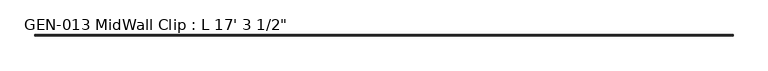
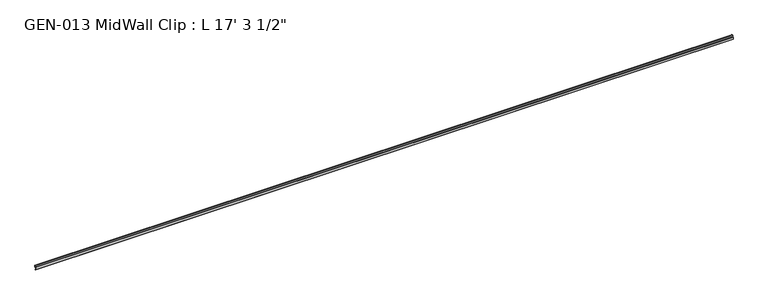
"""IFC4 building model written with IfcOpenShell, lengths in millimetres: proxy geometry."""

from ifc_helpers import new_model, si_unit, point, frame, frame_2d, origin, place, context, project, spatial, polyline, circle_curve, trimmed, segment, composite_curve, outline, extrude, source, transform, mapped, element, save


def proxy_c0e043ae(model_context):
    return source(origin(), model_context, "Body", "SweptSolid", [
        extrude(outline(composite_curve([segment(polyline([(-3.1877, 1.1238237), (-3.1877, -13.4811763), (-1.6129, -13.4811763), (-1.6129, -15.0559763), (-4.7625, -15.0559763), (-4.7625, 3.9686237), (0.630157, 3.9686237), (2.4411308, 14.5447106)]), True, "CONTINUOUS"), segment(trimmed(circle_curve(frame_2d((3.5698235, 13.3878692)), 1.6162393), [point((2.4411308, 14.5447106))], [point((4.7625, 14.4786268))], False, "CARTESIAN"), True, "CONTINUOUS"), segment(polyline([(4.7625, 14.4786268), (4.7625, 2.3938237), (-1.9177, 2.3938237)]), True, "CONTINUOUS"), segment(trimmed(circle_curve(frame_2d((-1.9177, 1.1238237)), 1.27), [point((-1.9177, 2.3938237))], [point((-3.1877, 1.1238237))], True, "CARTESIAN"), True, "CONTINUOUS")], self_intersect=False)), frame((0.0, 0.0, 0.0), z_axis=(1.0, 0.0, 0.0), x_axis=(0.0, 1.0, 0.0)), (0.0, 0.0, 1.0), 5270.5),
    ])


if __name__ == "__main__":
    model = new_model("IFC4")
    model_context = context("Model", 3, world=origin())
    ifc_project = project(units=[si_unit("LENGTHUNIT", "METRE", prefix="MILLI")], contexts=[model_context])
    site = spatial("IfcSite", under=ifc_project)
    building = spatial("IfcBuilding", under=site)
    placement = place(None, origin())
    proxy_shape = proxy_c0e043ae(model_context)
    element("IfcBuildingElementProxy", 1, Name="GEN-013 MidWall Clip : L 17' 3 1/2\"", ObjectType="GEN-013 MidWall Clip : L 17' 3 1/2\"", at=placement, inside=building, context=model_context, shape_type="MappedRepresentation", body=[
        mapped(proxy_shape, transform((0.0, 0.0, 0.0), x_axis=(1.0, 0.0, 0.0), y_axis=(0.0, 1.0, 0.0), z_axis=(0.0, 0.0, 1.0))),
    ])
    save(model, "model.ifc")
